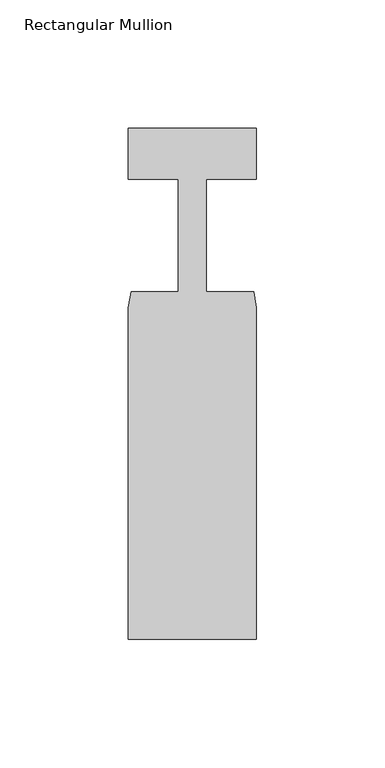
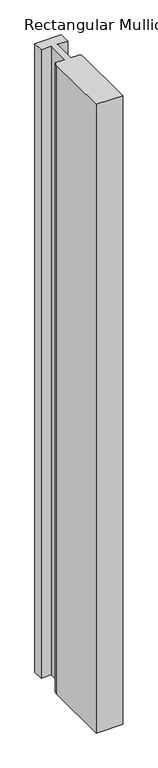
"""IFC4 building model written with IfcOpenShell, lengths in millimetres: member geometry, Rectangular Mullion."""

from ifc_helpers import new_model, si_unit, frame, origin, place, context, project, spatial, polyline, outline, extrude, source, transform, mapped, element, save


def rectangular_mullion_ba91bb5f(model_context):
    return source(origin(), model_context, "Body", "SweptSolid", [
        extrude(outline(polyline([(-50.0, -152.3), (-50.0, -23.0), (-48.9, -16.8), (-30.5, -16.8), (-30.5, 27.0), (-50.0, 27.0), (-50.0, 47.0), (0.0, 47.0), (0.0, 27.0), (-19.5000001, 27.0), (-19.5000001, -16.8), (-1.1, -16.8), (0.0, -23.0), (0.0, -152.3), (-50.0, -152.3)])), frame((0.0, 0.0, -1250.0), z_axis=(0.0, 0.0, 1.0), x_axis=(1.0, 0.0, 0.0)), (0.0, 0.0, 1.0), 1250.0),
    ])


if __name__ == "__main__":
    model = new_model("IFC4")
    model_context = context("Model", 3, world=origin())
    ifc_project = project(units=[si_unit("LENGTHUNIT", "METRE", prefix="MILLI")], contexts=[model_context])
    site = spatial("IfcSite", under=ifc_project)
    building = spatial("IfcBuilding", under=site)
    placement = place(None, origin())
    rectangular_mullion_shape = rectangular_mullion_ba91bb5f(model_context)
    element("IfcMember", 1, ObjectType="Rectangular Mullion", at=placement, inside=building, context=model_context, shape_type="MappedRepresentation", body=[
        mapped(rectangular_mullion_shape, transform((0.0, 0.0, 0.0), x_axis=(1.0, 0.0, 0.0), y_axis=(0.0, 1.0, 0.0), z_axis=(0.0, 0.0, 1.0))),
    ])
    save(model, "model.ifc")
